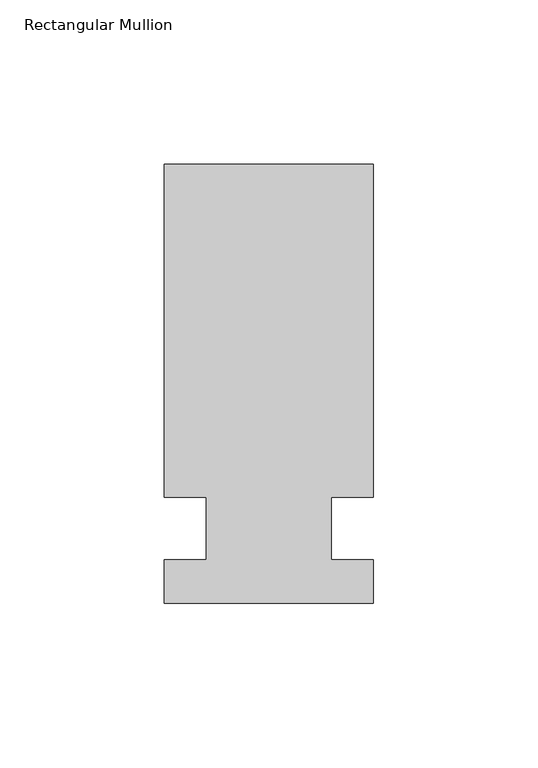
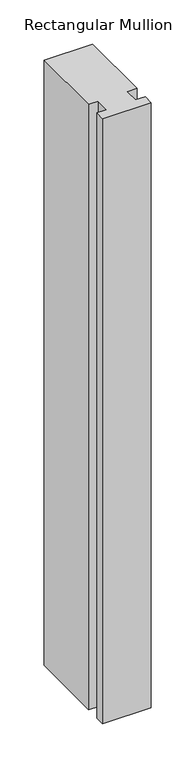
"""IFC4 building model written with IfcOpenShell, lengths in millimetres: member geometry, Rectangular Mullion."""

import ifcopenshell
import ifcopenshell.guid

model = None  # the IFC model being written
_history = None  # IfcOwnerHistory: only IFC2X3 demands one
_inside = {}  # id of a spatial element -> (the spatial element, [elements in it])
_under = {}  # id of a project, library or spatial element -> (it, [spatial elements below it])
_declared = {}  # id of a project -> (the project, [libraries it declares])
_typed = {}  # id of a type object -> (the type object, [elements of that type])
_made_of = {}  # id of a material, layer set ... -> (it, [elements and type objects made of it])


def new_model(schema):
    """Start an empty IFC model of exactly this schema.

    Asked for "IFC4X3", IfcOpenShell would pick the latest addendum, in which some entities
    have other attributes; the version numbers below select the first issue.
    IFC2X3 requires an IfcOwnerHistory on every rooted entity: one is made here for all.
    """
    global model, _history
    if schema == "IFC4X3":
        model = ifcopenshell.file(schema_version=(4, 3, 0, 0))
    else:
        model = ifcopenshell.file(schema=schema)
    _inside.clear()
    _under.clear()
    _declared.clear()
    _typed.clear()
    _made_of.clear()
    _history = None
    if model.schema == "IFC2X3":
        org = make("IfcOrganization", Name="unknown")
        user = make(
            "IfcPersonAndOrganization",
            ThePerson=make("IfcPerson", FamilyName="unknown"),
            TheOrganization=org,
        )
        app = make(
            "IfcApplication",
            ApplicationDeveloper=org,
            Version="unknown",
            ApplicationFullName="unknown",
            ApplicationIdentifier="unknown",
        )
        _history = make(
            "IfcOwnerHistory",
            OwningUser=user,
            OwningApplication=app,
            ChangeAction="ADDED",
            CreationDate=0,
        )
    return model


def make(cls, **values):
    """One entity of the class cls with the attributes given. An attribute that is None is left unset."""
    return model.create_entity(
        cls, **{name: value for name, value in values.items() if value is not None}
    )


def rooted(cls, **values):
    """An entity with a GlobalId (a new one), such as an element, a storey or a relation."""
    return make(cls, GlobalId=ifcopenshell.guid.new(), OwnerHistory=_history, **values)


def si_unit(unit_type, name, prefix=None):
    """IfcSIUnit, for example si_unit("LENGTHUNIT", "METRE", prefix="MILLI")."""
    return make("IfcSIUnit", UnitType=unit_type, Prefix=prefix, Name=name)


def assignment(units):
    """IfcUnitAssignment: the units of a project."""
    return None if units is None else make("IfcUnitAssignment", Units=units)


def point(xyz):
    """IfcCartesianPoint."""
    return None if xyz is None else make("IfcCartesianPoint", Coordinates=xyz)


def direction(xyz):
    """IfcDirection."""
    return None if xyz is None else make("IfcDirection", DirectionRatios=xyz)


def frame(location, z_axis=None, x_axis=None):
    """IfcAxis2Placement3D, a coordinate frame: its origin and axes. An axis left out is left unset."""
    return make(
        "IfcAxis2Placement3D",
        Location=point(location),
        Axis=direction(z_axis),
        RefDirection=direction(x_axis),
    )


def origin():
    """The frame at (0, 0, 0) with its axes left unset."""
    return frame((0.0, 0.0, 0.0))


def place(relative_to, where):
    """IfcLocalPlacement: puts the frame where relative to a parent placement (None: the world)."""
    return make(
        "IfcLocalPlacement", PlacementRelTo=relative_to, RelativePlacement=where
    )


def context(
    kind, dimensions, precision=None, world=None, true_north=None, identifier=None
):
    """IfcGeometricRepresentationContext, for example the 3D "Model" context."""
    return make(
        "IfcGeometricRepresentationContext",
        ContextIdentifier=identifier,
        ContextType=kind,
        CoordinateSpaceDimension=dimensions,
        Precision=precision,
        WorldCoordinateSystem=world,
        TrueNorth=true_north,
    )


def project(units=None, contexts=None):
    """IfcProject with its units and contexts."""
    return rooted(
        "IfcProject",
        Name="project",
        RepresentationContexts=contexts,
        UnitsInContext=assignment(units),
    )


def spatial(cls, under=None, at=None, **own):
    """A site, building, storey or space (cls), placed at a placement, below another one or the project."""
    s = rooted(cls, ObjectPlacement=at, **own)
    if under is not None:
        _under.setdefault(under.id(), (under, []))[1].append(s)
    return s


def polyline(points):
    """IfcPolyline through the points."""
    return make("IfcPolyline", Points=[point(p) for p in points])


def outline(outer, holes=None, kind="AREA"):
    """IfcArbitraryClosedProfileDef: a profile drawn as a closed curve; with holes, ...WithVoids."""
    if holes is None:
        return make("IfcArbitraryClosedProfileDef", ProfileType=kind, OuterCurve=outer)
    return make(
        "IfcArbitraryProfileDefWithVoids",
        ProfileType=kind,
        OuterCurve=outer,
        InnerCurves=holes,
    )


def extrude(swept, where, along, depth):
    """IfcExtrudedAreaSolid: the profile swept, set in the frame where, extruded along a direction by depth."""
    return make(
        "IfcExtrudedAreaSolid",
        SweptArea=swept,
        Position=where,
        ExtrudedDirection=direction(along),
        Depth=depth,
    )


def shape(context_of_items, identifier, shape_type, items):
    """IfcShapeRepresentation: the items that make up one representation, for example the "Body"."""
    return make(
        "IfcShapeRepresentation",
        ContextOfItems=context_of_items,
        RepresentationIdentifier=identifier,
        RepresentationType=shape_type,
        Items=items,
    )


def source(mapping_origin, context_of_items, identifier, shape_type, items):
    """IfcRepresentationMap: a shape defined once, which mapped items show again and again."""
    return make(
        "IfcRepresentationMap",
        MappingOrigin=mapping_origin,
        MappedRepresentation=shape(context_of_items, identifier, shape_type, items),
    )


def transform(
    local_origin,
    x_axis=None,
    y_axis=None,
    z_axis=None,
    scale=None,
    scale2=None,
    scale3=None,
    uniform=True,
):
    """IfcCartesianTransformationOperator3D, or its non-uniform kind. x_axis, y_axis, z_axis: its Axis1, 2, 3."""
    if uniform:
        return make(
            "IfcCartesianTransformationOperator3D",
            Axis1=direction(x_axis),
            Axis2=direction(y_axis),
            LocalOrigin=point(local_origin),
            Scale=scale,
            Axis3=direction(z_axis),
        )
    return make(
        "IfcCartesianTransformationOperator3DnonUniform",
        Axis1=direction(x_axis),
        Axis2=direction(y_axis),
        LocalOrigin=point(local_origin),
        Scale=scale,
        Axis3=direction(z_axis),
        Scale2=scale2,
        Scale3=scale3,
    )


def mapped(mapping_source, mapping_target):
    """IfcMappedItem: shows the shape of a source again, moved by a transform."""
    return make(
        "IfcMappedItem", MappingSource=mapping_source, MappingTarget=mapping_target
    )


def made_of(thing, what):
    """Note that an element or type object is made of a material, layer set ...; save() writes the relation."""
    if what is not None:
        _made_of.setdefault(what.id(), (what, []))[1].append(thing)
    return thing


def element(
    cls,
    number,
    at=None,
    inside=None,
    cuts=None,
    type_object=None,
    material=None,
    context=None,
    identifier="Body",
    shape_type=None,
    held_by="IfcProductDefinitionShape",
    body=None,
    shapes=None,
    **own,
):
    """One element of the class cls, such as IfcWall. Its Tag is "e" and its number.

    at: its placement. inside: the storey or other place that contains it. cuts: it is an
    opening in that element (IfcRelVoidsElement). A single representation is given by context,
    identifier, shape_type and body (its items); several are given by shapes. held_by: the class
    of the entity that holds the representations. save() writes the other relations.
    """
    e = rooted(cls, Tag="e%d" % number, ObjectPlacement=at, **own)
    if body is not None:
        shapes = [shape(context, identifier, shape_type, body)]
    if shapes is not None:
        e.Representation = make(held_by, Representations=shapes)
    if inside is not None:
        _inside.setdefault(inside.id(), (inside, []))[1].append(e)
    if cuts is not None:
        rooted(
            "IfcRelVoidsElement", RelatingBuildingElement=cuts, RelatedOpeningElement=e
        )
    if type_object is not None:
        _typed.setdefault(type_object.id(), (type_object, []))[1].append(e)
    return made_of(e, material)


def aggregate(whole, parts):
    """IfcRelAggregates: a whole, such as a stair, and the parts it consists of."""
    return rooted("IfcRelAggregates", RelatingObject=whole, RelatedObjects=parts)


def save(model, path):
    """Write the relations noted so far, then the file.

    IfcRelAggregates (storeys below a building ...), IfcRelContainedInSpatialStructure (elements
    in a storey), IfcRelDefinesByType, IfcRelAssociatesMaterial and IfcRelDeclares: one each for
    every whole, place, type object, material and project.
    """
    for whole, parts in _under.values():
        aggregate(whole, parts)
    for where, things in _inside.values():
        rooted(
            "IfcRelContainedInSpatialStructure",
            RelatedElements=things,
            RelatingStructure=where,
        )
    for kind, things in _typed.values():
        rooted("IfcRelDefinesByType", RelatedObjects=things, RelatingType=kind)
    for what, things in _made_of.values():
        rooted("IfcRelAssociatesMaterial", RelatedObjects=things, RelatingMaterial=what)
    for by, libraries in _declared.values():
        rooted("IfcRelDeclares", RelatingContext=by, RelatedDefinitions=libraries)
    model.write(path)


def rectangular_mullion_b430a98c(model_context):
    return source(origin(), model_context, "Body", "SweptSolid", [
        extrude(outline(polyline([(-31.75, 133.4396938), (31.75, 133.4396938), (31.75, 32.2460937), (19.05, 32.2460938), (19.05, 13.1960937), (31.75, 13.1960937), (31.75, 0.0134937), (-31.75, 0.0134937), (-31.75, 13.1960937), (-19.05, 13.1960937), (-19.05, 32.2460937), (-31.75, 32.2460938), (-31.75, 133.4396938)])), frame((0.0, 0.0, -838.2), z_axis=(0.0, 0.0, 1.0), x_axis=(1.0, 0.0, 0.0)), (0.0, 0.0, 1.0), 838.2),
    ])


if __name__ == "__main__":
    model = new_model("IFC4")
    model_context = context("Model", 3, world=origin())
    ifc_project = project(units=[si_unit("LENGTHUNIT", "METRE", prefix="MILLI")], contexts=[model_context])
    site = spatial("IfcSite", under=ifc_project)
    building = spatial("IfcBuilding", under=site)
    placement = place(None, origin())
    rectangular_mullion_shape = rectangular_mullion_b430a98c(model_context)
    element("IfcMember", 1, ObjectType="Rectangular Mullion", at=placement, inside=building, context=model_context, shape_type="MappedRepresentation", body=[
        mapped(rectangular_mullion_shape, transform((0.0, 0.0, 0.0), x_axis=(1.0, 0.0, 0.0), y_axis=(0.0, 1.0, 0.0), z_axis=(0.0, 0.0, 1.0))),
    ])
    save(model, "model.ifc")
